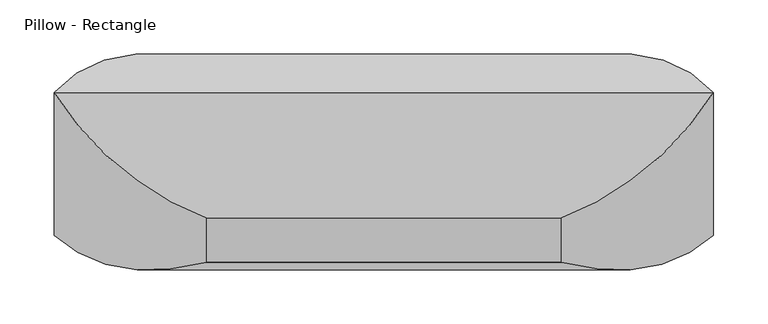
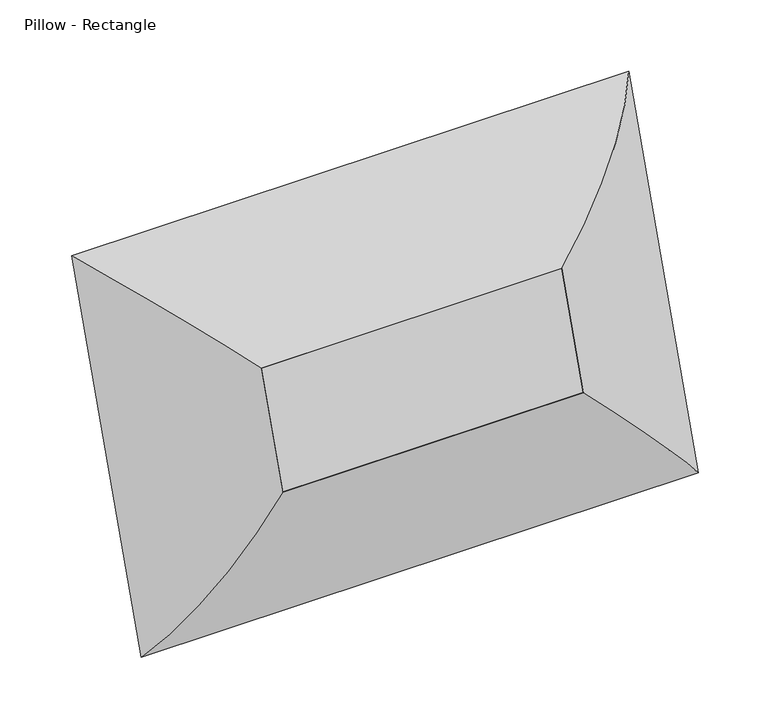
"""IFC4 building model written with IfcOpenShell, lengths in millimetres: furniture geometry, Pillow - Rectangle."""

from ifc_helpers import new_model, si_unit, frame, origin, place, context, project, spatial, polyline, ellipse_curve, outline, extrude, source, transform, mapped, element, save
from ifc_brep_helpers import plane_surface, cylinder_surface, advanced_brep


def pillow_rectangle_213ddb58(model_context):
    return source(origin(), model_context, "Body", "SolidModel", [
        advanced_brep(
        [(-164.30625, 160.0933758, 225.7587857), (-164.30625, 119.2630596, 107.1789373), (-304.4741804, 0.0, 0.0), (-304.4741804, 132.098745, 383.6426121), (-164.30625, 15.9963448, 275.3753724), (-164.30625, -24.8339713, 156.7955241), (164.30625, 119.2630596, 107.1789373), (304.4741804, 0.0, 0.0), (164.30625, -24.8339713, 156.7955241), (164.30625, 160.0933758, 225.7587857), (304.4741804, 132.098745, 383.6426121), (164.30625, 15.9963448, 275.3753724)],
        [
            (0, 1),
            (1, 2, ellipse_curve(frame((-159.526504, -43.4077645, 168.2461521), z_axis=(-0.7071067811865475, 0.2302114497550404, 0.6685825965441238), x_axis=(0.7071067811865475, 0.2302114497550404, 0.6685825965441236)), 245.7274984, 173.7555804)),
            (2, 3),
            (3, 0, ellipse_curve(frame((-159.526504, -5.6897145, 277.7873233), z_axis=(-0.7071067811865476, -0.2302114497550404, -0.6685825965441237), x_axis=(-0.7071067811865475, 0.23021144975504043, 0.6685825965441238)), 245.7274984, 173.7555804)),
            (4, 5),
            (5, 1),
            (0, 4),
            (2, 5, ellipse_curve(frame((-155.1179464, 154.3583886, 104.8123863), z_axis=(-0.7071067811865475, 0.2302114497550404, 0.6685825965441238), x_axis=(0.7071067811865475, 0.2302114497550404, 0.6685825965441236)), 263.8641638, 186.5801395)),
            (4, 3, ellipse_curve(frame((-155.1179464, 189.2058667, 206.0168113), z_axis=(-0.7071067811865476, -0.2302114497550404, -0.6685825965441237), x_axis=(-0.7071067811865475, 0.23021144975504043, 0.6685825965441238)), 263.8641638, 186.5801395)),
            (1, 6),
            (6, 7, ellipse_curve(frame((159.526504, -43.4077645, 168.2461521), z_axis=(-0.7071067811865475, -0.2302114497550404, -0.6685825965441236), x_axis=(-0.7071067811865477, 0.23021144975504032, 0.6685825965441236)), 245.7274984, 173.7555804)),
            (7, 2),
            (5, 8),
            (8, 6),
            (7, 8, ellipse_curve(frame((155.1179464, 154.3583886, 104.8123863), z_axis=(-0.7071067811865475, -0.2302114497550404, -0.6685825965441236), x_axis=(-0.7071067811865477, 0.23021144975504032, 0.6685825965441236)), 263.8641638, 186.5801395)),
            (6, 9),
            (9, 10, ellipse_curve(frame((159.526504, -5.6897145, 277.7873233), z_axis=(0.7071067811865474, -0.23021144975504043, -0.6685825965441238), x_axis=(-0.7071067811865476, -0.23021144975504032, -0.6685825965441236)), 245.7274984, 173.7555804)),
            (10, 7),
            (8, 11),
            (11, 9),
            (10, 11, ellipse_curve(frame((155.1179464, 189.2058667, 206.0168113), z_axis=(0.7071067811865474, -0.23021144975504043, -0.6685825965441238), x_axis=(-0.7071067811865476, -0.23021144975504032, -0.6685825965441236)), 263.8641638, 186.5801395)),
            (9, 0),
            (3, 10),
            (11, 4),
        ],
        [
            cylinder_surface(frame((-159.526504, -4.1335814, 282.3066619), z_axis=(0.0, 0.3255681544571505, 0.945518575599319), x_axis=(0.0, 0.945518575599319, -0.3255681544571505)), 173.7555804),
            plane_surface(frame((-164.30625, 160.0933758, 225.7587857), z_axis=(1.0, 0.0, 0.0), x_axis=(0.0, -0.32556815445715054, -0.945518575599319))),
            cylinder_surface(frame((-155.1179464, 192.1972857, 214.704523), z_axis=(0.0, 0.3255681544571505, 0.945518575599319), x_axis=(0.0, 0.945518575599319, -0.3255681544571505)), 186.5801395),
            cylinder_surface(frame((-164.30625, -43.4077645, 168.2461521), z_axis=(-1.0, 0.0, 0.0), x_axis=(0.0, 0.945518575599319, -0.3255681544571507)), 173.7555804),
            plane_surface(frame((-164.30625, 119.2630596, 107.1789373), z_axis=(0.0, 0.3255681544571504, 0.945518575599319), x_axis=(1.0, 0.0, 0.0))),
            cylinder_surface(frame((-164.30625, 154.3583886, 104.8123863), z_axis=(-1.0, 0.0, 0.0), x_axis=(0.0, 0.945518575599319, -0.3255681544571507)), 186.5801395),
            cylinder_surface(frame((159.526504, -44.9638976, 163.7268135), z_axis=(0.0, -0.3255681544571505, -0.9455185755993191), x_axis=(0.0, 0.9455185755993191, -0.3255681544571505)), 173.7555804),
            plane_surface(frame((164.30625, 119.2630596, 107.1789373), z_axis=(-1.0000000000000002, 0.0, 0.0), x_axis=(0.0, 0.3255681544571504, 0.9455185755993191))),
            cylinder_surface(frame((155.1179464, 151.3669696, 96.1246746), z_axis=(0.0, -0.3255681544571505, -0.9455185755993191), x_axis=(0.0, 0.9455185755993191, -0.3255681544571505)), 186.5801395),
            cylinder_surface(frame((164.30625, -5.6897145, 277.7873233), z_axis=(1.0000000000000002, 0.0, 0.0), x_axis=(0.0, 0.9455185755993192, -0.32556815445715026)), 173.7555804),
            plane_surface(frame((164.30625, 160.0933758, 225.7587857), z_axis=(0.0, -0.32556815445715054, -0.9455185755993191), x_axis=(-1.0, 0.0, 0.0))),
            cylinder_surface(frame((164.30625, 189.2058667, 206.0168113), z_axis=(1.0000000000000002, 0.0, 0.0), x_axis=(0.0, 0.9455185755993192, -0.32556815445715026)), 186.5801395),
        ],
        [
            (0, [[1, 2, 3, 4]]),
            (1, [[5, 6, -1, 7]]),
            (2, [[-3, 8, -5, 9]]),
            (3, [[10, 11, 12, -2]]),
            (4, [[13, 14, -10, -6]]),
            (5, [[-12, 15, -13, -8]]),
            (6, [[16, 17, 18, -11]]),
            (7, [[19, 20, -16, -14]]),
            (8, [[-18, 21, -19, -15]]),
            (9, [[22, -4, 23, -17]]),
            (10, [[24, -7, -22, -20]]),
            (11, [[-23, -9, -24, -21]]),
        ],
    ),
        extrude(outline(polyline([(0.0, 328.6125), (152.4, 328.6125), (152.4, 0.0), (0.0, 0.0), (0.0, 328.6125)])), frame((-164.30625, 119.2630596, 107.1789373), z_axis=(0.0, 0.32556815445715026, 0.9455185755993191), x_axis=(0.0, -0.9455185755993191, 0.32556815445715026)), (0.0, 0.0, 1.0), 125.4125),
    ])


if __name__ == "__main__":
    model = new_model("IFC4")
    model_context = context("Model", 3, world=origin())
    ifc_project = project(units=[si_unit("LENGTHUNIT", "METRE", prefix="MILLI")], contexts=[model_context])
    site = spatial("IfcSite", under=ifc_project)
    building = spatial("IfcBuilding", under=site)
    placement = place(None, origin())
    pillow_rectangle_shape = pillow_rectangle_213ddb58(model_context)
    element("IfcFurniture", 1, ObjectType="Pillow - Rectangle", at=placement, inside=building, context=model_context, shape_type="MappedRepresentation", body=[
        mapped(pillow_rectangle_shape, transform((0.0, 0.0, 0.0), x_axis=(1.0, 0.0, 0.0), y_axis=(0.0, 1.0, 0.0), z_axis=(0.0, 0.0, 1.0))),
    ])
    save(model, "model.ifc")
